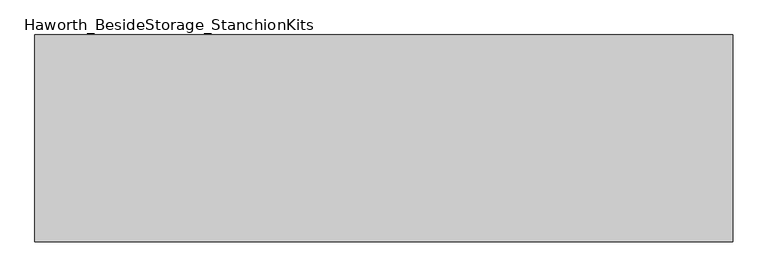
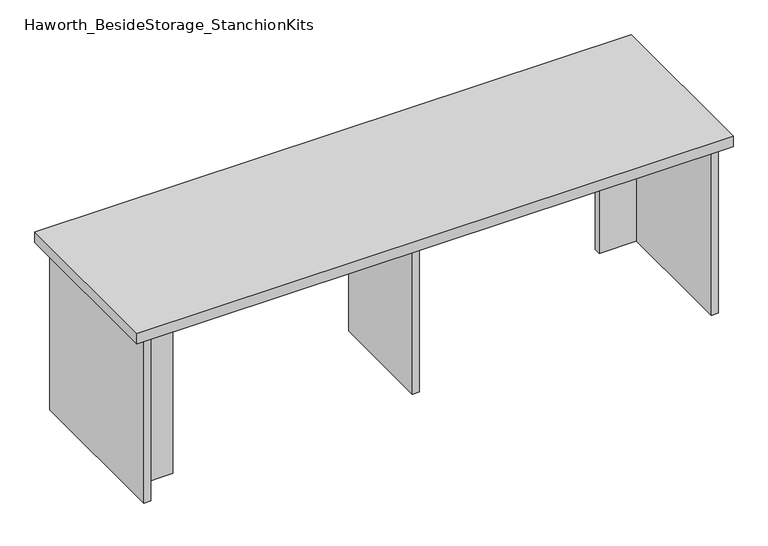
"""IFC4 building model written with IfcOpenShell, lengths in millimetres: furniture geometry, Haworth_BesideStorage_StanchionKits."""

import ifcopenshell
import ifcopenshell.guid

model = None  # the IFC model being written
_history = None  # IfcOwnerHistory: only IFC2X3 demands one
_inside = {}  # id of a spatial element -> (the spatial element, [elements in it])
_under = {}  # id of a project, library or spatial element -> (it, [spatial elements below it])
_declared = {}  # id of a project -> (the project, [libraries it declares])
_typed = {}  # id of a type object -> (the type object, [elements of that type])
_made_of = {}  # id of a material, layer set ... -> (it, [elements and type objects made of it])


def new_model(schema):
    """Start an empty IFC model of exactly this schema.

    Asked for "IFC4X3", IfcOpenShell would pick the latest addendum, in which some entities
    have other attributes; the version numbers below select the first issue.
    IFC2X3 requires an IfcOwnerHistory on every rooted entity: one is made here for all.
    """
    global model, _history
    if schema == "IFC4X3":
        model = ifcopenshell.file(schema_version=(4, 3, 0, 0))
    else:
        model = ifcopenshell.file(schema=schema)
    _inside.clear()
    _under.clear()
    _declared.clear()
    _typed.clear()
    _made_of.clear()
    _history = None
    if model.schema == "IFC2X3":
        org = make("IfcOrganization", Name="unknown")
        user = make(
            "IfcPersonAndOrganization",
            ThePerson=make("IfcPerson", FamilyName="unknown"),
            TheOrganization=org,
        )
        app = make(
            "IfcApplication",
            ApplicationDeveloper=org,
            Version="unknown",
            ApplicationFullName="unknown",
            ApplicationIdentifier="unknown",
        )
        _history = make(
            "IfcOwnerHistory",
            OwningUser=user,
            OwningApplication=app,
            ChangeAction="ADDED",
            CreationDate=0,
        )
    return model


def make(cls, **values):
    """One entity of the class cls with the attributes given. An attribute that is None is left unset."""
    return model.create_entity(
        cls, **{name: value for name, value in values.items() if value is not None}
    )


def rooted(cls, **values):
    """An entity with a GlobalId (a new one), such as an element, a storey or a relation."""
    return make(cls, GlobalId=ifcopenshell.guid.new(), OwnerHistory=_history, **values)


def si_unit(unit_type, name, prefix=None):
    """IfcSIUnit, for example si_unit("LENGTHUNIT", "METRE", prefix="MILLI")."""
    return make("IfcSIUnit", UnitType=unit_type, Prefix=prefix, Name=name)


def assignment(units):
    """IfcUnitAssignment: the units of a project."""
    return None if units is None else make("IfcUnitAssignment", Units=units)


def point(xyz):
    """IfcCartesianPoint."""
    return None if xyz is None else make("IfcCartesianPoint", Coordinates=xyz)


def direction(xyz):
    """IfcDirection."""
    return None if xyz is None else make("IfcDirection", DirectionRatios=xyz)


def frame(location, z_axis=None, x_axis=None):
    """IfcAxis2Placement3D, a coordinate frame: its origin and axes. An axis left out is left unset."""
    return make(
        "IfcAxis2Placement3D",
        Location=point(location),
        Axis=direction(z_axis),
        RefDirection=direction(x_axis),
    )


def origin():
    """The frame at (0, 0, 0) with its axes left unset."""
    return frame((0.0, 0.0, 0.0))


def place(relative_to, where):
    """IfcLocalPlacement: puts the frame where relative to a parent placement (None: the world)."""
    return make(
        "IfcLocalPlacement", PlacementRelTo=relative_to, RelativePlacement=where
    )


def context(
    kind, dimensions, precision=None, world=None, true_north=None, identifier=None
):
    """IfcGeometricRepresentationContext, for example the 3D "Model" context."""
    return make(
        "IfcGeometricRepresentationContext",
        ContextIdentifier=identifier,
        ContextType=kind,
        CoordinateSpaceDimension=dimensions,
        Precision=precision,
        WorldCoordinateSystem=world,
        TrueNorth=true_north,
    )


def project(units=None, contexts=None):
    """IfcProject with its units and contexts."""
    return rooted(
        "IfcProject",
        Name="project",
        RepresentationContexts=contexts,
        UnitsInContext=assignment(units),
    )


def spatial(cls, under=None, at=None, **own):
    """A site, building, storey or space (cls), placed at a placement, below another one or the project."""
    s = rooted(cls, ObjectPlacement=at, **own)
    if under is not None:
        _under.setdefault(under.id(), (under, []))[1].append(s)
    return s


def polyline(points):
    """IfcPolyline through the points."""
    return make("IfcPolyline", Points=[point(p) for p in points])


def outline(outer, holes=None, kind="AREA"):
    """IfcArbitraryClosedProfileDef: a profile drawn as a closed curve; with holes, ...WithVoids."""
    if holes is None:
        return make("IfcArbitraryClosedProfileDef", ProfileType=kind, OuterCurve=outer)
    return make(
        "IfcArbitraryProfileDefWithVoids",
        ProfileType=kind,
        OuterCurve=outer,
        InnerCurves=holes,
    )


def extrude(swept, where, along, depth):
    """IfcExtrudedAreaSolid: the profile swept, set in the frame where, extruded along a direction by depth."""
    return make(
        "IfcExtrudedAreaSolid",
        SweptArea=swept,
        Position=where,
        ExtrudedDirection=direction(along),
        Depth=depth,
    )


def shape(context_of_items, identifier, shape_type, items):
    """IfcShapeRepresentation: the items that make up one representation, for example the "Body"."""
    return make(
        "IfcShapeRepresentation",
        ContextOfItems=context_of_items,
        RepresentationIdentifier=identifier,
        RepresentationType=shape_type,
        Items=items,
    )


def source(mapping_origin, context_of_items, identifier, shape_type, items):
    """IfcRepresentationMap: a shape defined once, which mapped items show again and again."""
    return make(
        "IfcRepresentationMap",
        MappingOrigin=mapping_origin,
        MappedRepresentation=shape(context_of_items, identifier, shape_type, items),
    )


def transform(
    local_origin,
    x_axis=None,
    y_axis=None,
    z_axis=None,
    scale=None,
    scale2=None,
    scale3=None,
    uniform=True,
):
    """IfcCartesianTransformationOperator3D, or its non-uniform kind. x_axis, y_axis, z_axis: its Axis1, 2, 3."""
    if uniform:
        return make(
            "IfcCartesianTransformationOperator3D",
            Axis1=direction(x_axis),
            Axis2=direction(y_axis),
            LocalOrigin=point(local_origin),
            Scale=scale,
            Axis3=direction(z_axis),
        )
    return make(
        "IfcCartesianTransformationOperator3DnonUniform",
        Axis1=direction(x_axis),
        Axis2=direction(y_axis),
        LocalOrigin=point(local_origin),
        Scale=scale,
        Axis3=direction(z_axis),
        Scale2=scale2,
        Scale3=scale3,
    )


def mapped(mapping_source, mapping_target):
    """IfcMappedItem: shows the shape of a source again, moved by a transform."""
    return make(
        "IfcMappedItem", MappingSource=mapping_source, MappingTarget=mapping_target
    )


def made_of(thing, what):
    """Note that an element or type object is made of a material, layer set ...; save() writes the relation."""
    if what is not None:
        _made_of.setdefault(what.id(), (what, []))[1].append(thing)
    return thing


def element(
    cls,
    number,
    at=None,
    inside=None,
    cuts=None,
    type_object=None,
    material=None,
    context=None,
    identifier="Body",
    shape_type=None,
    held_by="IfcProductDefinitionShape",
    body=None,
    shapes=None,
    **own,
):
    """One element of the class cls, such as IfcWall. Its Tag is "e" and its number.

    at: its placement. inside: the storey or other place that contains it. cuts: it is an
    opening in that element (IfcRelVoidsElement). A single representation is given by context,
    identifier, shape_type and body (its items); several are given by shapes. held_by: the class
    of the entity that holds the representations. save() writes the other relations.
    """
    e = rooted(cls, Tag="e%d" % number, ObjectPlacement=at, **own)
    if body is not None:
        shapes = [shape(context, identifier, shape_type, body)]
    if shapes is not None:
        e.Representation = make(held_by, Representations=shapes)
    if inside is not None:
        _inside.setdefault(inside.id(), (inside, []))[1].append(e)
    if cuts is not None:
        rooted(
            "IfcRelVoidsElement", RelatingBuildingElement=cuts, RelatedOpeningElement=e
        )
    if type_object is not None:
        _typed.setdefault(type_object.id(), (type_object, []))[1].append(e)
    return made_of(e, material)


def aggregate(whole, parts):
    """IfcRelAggregates: a whole, such as a stair, and the parts it consists of."""
    return rooted("IfcRelAggregates", RelatingObject=whole, RelatedObjects=parts)


def save(model, path):
    """Write the relations noted so far, then the file.

    IfcRelAggregates (storeys below a building ...), IfcRelContainedInSpatialStructure (elements
    in a storey), IfcRelDefinesByType, IfcRelAssociatesMaterial and IfcRelDeclares: one each for
    every whole, place, type object, material and project.
    """
    for whole, parts in _under.values():
        aggregate(whole, parts)
    for where, things in _inside.values():
        rooted(
            "IfcRelContainedInSpatialStructure",
            RelatedElements=things,
            RelatingStructure=where,
        )
    for kind, things in _typed.values():
        rooted("IfcRelDefinesByType", RelatedObjects=things, RelatingType=kind)
    for what, things in _made_of.values():
        rooted("IfcRelAssociatesMaterial", RelatedObjects=things, RelatingMaterial=what)
    for by, libraries in _declared.values():
        rooted("IfcRelDeclares", RelatingContext=by, RelatedDefinitions=libraries)
    model.write(path)


def haworth_besidestorage_stanchionkits_b6c707d3(model_context):
    return source(origin(), model_context, "Body", "SweptSolid", [
        extrude(outline(polyline([(847.725, 0.0), (847.725, -406.4), (-523.875, -406.4), (-523.875, 0.0), (847.725, 0.0)])), frame((0.0, 0.0, 838.2), z_axis=(0.0, 0.0, 1.0), x_axis=(1.0, 0.0, 0.0)), (0.0, 0.0, 1.0), 25.4),
        extrude(outline(polyline([(720.725, -76.2), (806.45, -76.2), (806.45, -92.075), (720.725, -92.075), (720.725, -76.2)])), frame((0.0, 0.0, 431.8), z_axis=(0.0, 0.0, 1.0), x_axis=(1.0, 0.0, 0.0)), (0.0, 0.0, 1.0), 406.4),
        extrude(outline(polyline([(-396.875, -314.325), (-396.875, -330.2), (-482.6, -330.2), (-482.6, -314.325), (-396.875, -314.325)])), frame((0.0, 0.0, 431.8), z_axis=(0.0, 0.0, 1.0), x_axis=(1.0, 0.0, 0.0)), (0.0, 0.0, 1.0), 406.4),
        extrude(outline(polyline([(169.8625, -330.2), (153.9875, -330.2), (153.9875, -76.2), (169.8625, -76.2), (169.8625, -330.2)])), frame((0.0, 0.0, 431.8), z_axis=(0.0, 0.0, 1.0), x_axis=(1.0, 0.0, 0.0)), (0.0, 0.0, 1.0), 406.4),
        extrude(outline(polyline([(822.325, -390.525), (806.45, -390.525), (806.45, -15.875), (822.325, -15.875), (822.325, -390.525)])), frame((0.0, 0.0, 431.8), z_axis=(0.0, 0.0, 1.0), x_axis=(1.0, 0.0, 0.0)), (0.0, 0.0, 1.0), 406.4),
        extrude(outline(polyline([(-482.6, -390.525), (-498.475, -390.525), (-498.475, -15.875), (-482.6, -15.875), (-482.6, -390.525)])), frame((0.0, 0.0, 431.8), z_axis=(0.0, 0.0, 1.0), x_axis=(1.0, 0.0, 0.0)), (0.0, 0.0, 1.0), 406.4),
    ])


if __name__ == "__main__":
    model = new_model("IFC4")
    model_context = context("Model", 3, world=origin())
    ifc_project = project(units=[si_unit("LENGTHUNIT", "METRE", prefix="MILLI")], contexts=[model_context])
    site = spatial("IfcSite", under=ifc_project)
    building = spatial("IfcBuilding", under=site)
    placement = place(None, origin())
    haworth_besidestorage_stanchionkits_shape = haworth_besidestorage_stanchionkits_b6c707d3(model_context)
    element("IfcFurniture", 1, ObjectType="Haworth_BesideStorage_StanchionKits", at=placement, inside=building, context=model_context, shape_type="MappedRepresentation", body=[
        mapped(haworth_besidestorage_stanchionkits_shape, transform((0.0, 0.0, 0.0), x_axis=(1.0, 0.0, 0.0), y_axis=(0.0, 1.0, 0.0), z_axis=(0.0, 0.0, 1.0))),
    ])
    save(model, "model.ifc")
